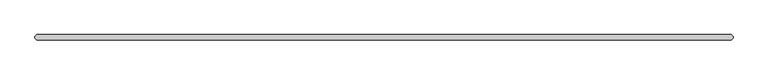
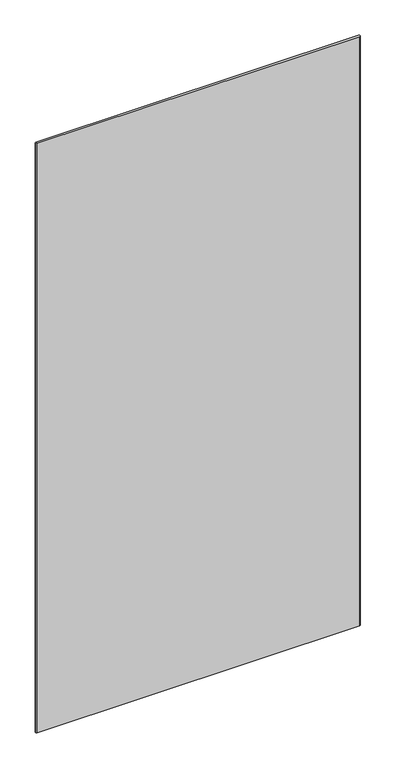
"""IFC4 building model written with IfcOpenShell, lengths in millimetres: plate geometry."""

from ifc_helpers import new_model, si_unit, origin, origin_with_axes, place, context, project, spatial, polyline, outline, extrude, source, transform, mapped, element, save


def plate_9e4a153e(model_context):
    return source(origin(), model_context, "Body", "SweptSolid", [
        extrude(outline(polyline([(629.046875, -34.925), (-629.046875, -34.925), (-632.221875, -31.75), (-632.221875, -28.575), (-629.046875, -25.4), (629.046875, -25.4), (632.221875, -28.575), (632.221875, -31.75), (629.046875, -34.925)])), origin_with_axes(), (0.0, 0.0, 1.0), 2428.7789267),
    ])


if __name__ == "__main__":
    model = new_model("IFC4")
    model_context = context("Model", 3, world=origin())
    ifc_project = project(units=[si_unit("LENGTHUNIT", "METRE", prefix="MILLI")], contexts=[model_context])
    site = spatial("IfcSite", under=ifc_project)
    building = spatial("IfcBuilding", under=site)
    placement = place(None, origin())
    plate_shape = plate_9e4a153e(model_context)
    element("IfcPlate", 1, at=placement, inside=building, context=model_context, shape_type="MappedRepresentation", body=[
        mapped(plate_shape, transform((0.0, 0.0, 0.0), x_axis=(1.0, 0.0, 0.0), y_axis=(0.0, 1.0, 0.0), z_axis=(0.0, 0.0, 1.0))),
    ])
    save(model, "model.ifc")
